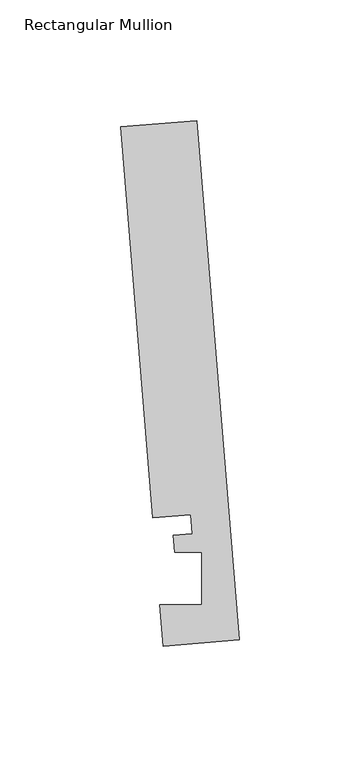
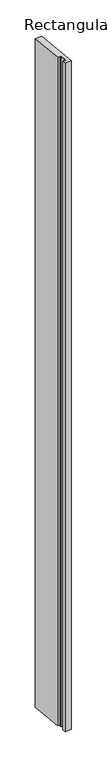
"""IFC4 building model written with IfcOpenShell, lengths in millimetres: member geometry, Rectangular Mullion."""

from ifc_helpers import new_model, si_unit, frame, origin, place, context, project, spatial, polyline, outline, extrude, source, transform, mapped, element, save


def rectangular_mullion_a9080417(model_context):
    return source(origin(), model_context, "Body", "SweptSolid", [
        extrude(outline(polyline([(-0.2190396, 2.6699364), (-31.8627302, 0.0739116), (-33.2772473, 17.315866), (-15.8506254, 17.315866), (-15.848851, 38.9474576), (-27.100463, 38.9474576), (-27.6861262, 46.0862742), (-19.7625461, 46.7363188), (-20.4084371, 54.6092691), (-36.2302824, 53.3112566), (-49.5364672, 215.5041572), (-17.8927766, 218.100182), (-0.2190396, 2.6699364)])), frame((0.0, 0.0, -3364.8848981), z_axis=(0.0, 0.0, 1.0), x_axis=(1.0, 0.0, 0.0)), (0.0, 0.0, 1.0), 3364.8848981),
    ])


if __name__ == "__main__":
    model = new_model("IFC4")
    model_context = context("Model", 3, world=origin())
    ifc_project = project(units=[si_unit("LENGTHUNIT", "METRE", prefix="MILLI")], contexts=[model_context])
    site = spatial("IfcSite", under=ifc_project)
    building = spatial("IfcBuilding", under=site)
    placement = place(None, origin())
    rectangular_mullion_shape = rectangular_mullion_a9080417(model_context)
    element("IfcMember", 1, ObjectType="Rectangular Mullion", at=placement, inside=building, context=model_context, shape_type="MappedRepresentation", body=[
        mapped(rectangular_mullion_shape, transform((0.0, 0.0, 0.0), x_axis=(1.0, 0.0, 0.0), y_axis=(0.0, 1.0, 0.0), z_axis=(0.0, 0.0, 1.0))),
    ])
    save(model, "model.ifc")
